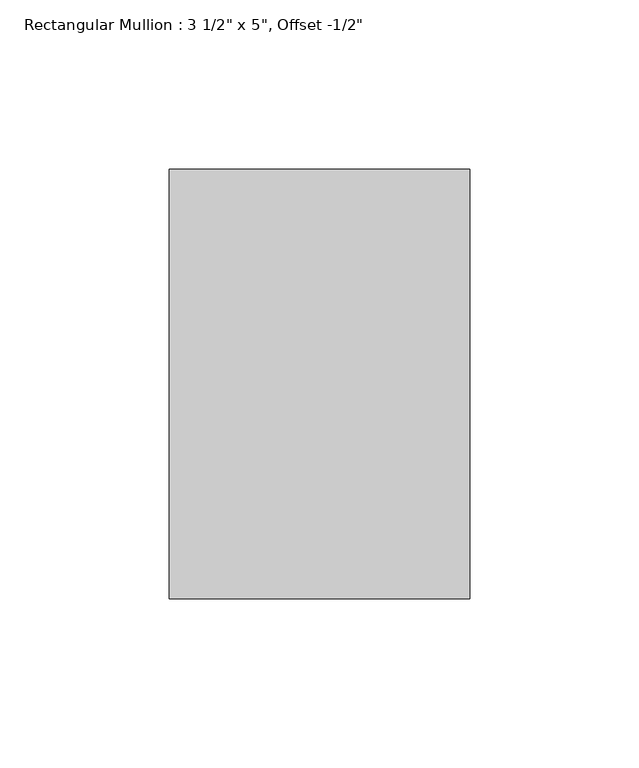
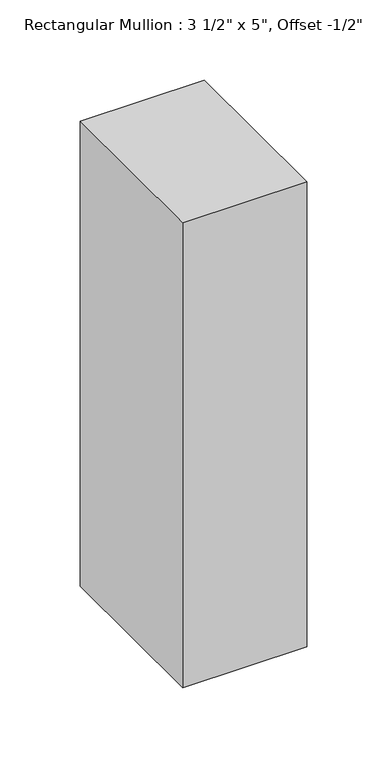
"""IFC4 building model written with IfcOpenShell, lengths in millimetres: member geometry."""

import ifcopenshell
import ifcopenshell.guid

model = None  # the IFC model being written
_history = None  # IfcOwnerHistory: only IFC2X3 demands one
_inside = {}  # id of a spatial element -> (the spatial element, [elements in it])
_under = {}  # id of a project, library or spatial element -> (it, [spatial elements below it])
_declared = {}  # id of a project -> (the project, [libraries it declares])
_typed = {}  # id of a type object -> (the type object, [elements of that type])
_made_of = {}  # id of a material, layer set ... -> (it, [elements and type objects made of it])


def new_model(schema):
    """Start an empty IFC model of exactly this schema.

    Asked for "IFC4X3", IfcOpenShell would pick the latest addendum, in which some entities
    have other attributes; the version numbers below select the first issue.
    IFC2X3 requires an IfcOwnerHistory on every rooted entity: one is made here for all.
    """
    global model, _history
    if schema == "IFC4X3":
        model = ifcopenshell.file(schema_version=(4, 3, 0, 0))
    else:
        model = ifcopenshell.file(schema=schema)
    _inside.clear()
    _under.clear()
    _declared.clear()
    _typed.clear()
    _made_of.clear()
    _history = None
    if model.schema == "IFC2X3":
        org = make("IfcOrganization", Name="unknown")
        user = make(
            "IfcPersonAndOrganization",
            ThePerson=make("IfcPerson", FamilyName="unknown"),
            TheOrganization=org,
        )
        app = make(
            "IfcApplication",
            ApplicationDeveloper=org,
            Version="unknown",
            ApplicationFullName="unknown",
            ApplicationIdentifier="unknown",
        )
        _history = make(
            "IfcOwnerHistory",
            OwningUser=user,
            OwningApplication=app,
            ChangeAction="ADDED",
            CreationDate=0,
        )
    return model


def make(cls, **values):
    """One entity of the class cls with the attributes given. An attribute that is None is left unset."""
    return model.create_entity(
        cls, **{name: value for name, value in values.items() if value is not None}
    )


def rooted(cls, **values):
    """An entity with a GlobalId (a new one), such as an element, a storey or a relation."""
    return make(cls, GlobalId=ifcopenshell.guid.new(), OwnerHistory=_history, **values)


def si_unit(unit_type, name, prefix=None):
    """IfcSIUnit, for example si_unit("LENGTHUNIT", "METRE", prefix="MILLI")."""
    return make("IfcSIUnit", UnitType=unit_type, Prefix=prefix, Name=name)


def assignment(units):
    """IfcUnitAssignment: the units of a project."""
    return None if units is None else make("IfcUnitAssignment", Units=units)


def point(xyz):
    """IfcCartesianPoint."""
    return None if xyz is None else make("IfcCartesianPoint", Coordinates=xyz)


def direction(xyz):
    """IfcDirection."""
    return None if xyz is None else make("IfcDirection", DirectionRatios=xyz)


def frame(location, z_axis=None, x_axis=None):
    """IfcAxis2Placement3D, a coordinate frame: its origin and axes. An axis left out is left unset."""
    return make(
        "IfcAxis2Placement3D",
        Location=point(location),
        Axis=direction(z_axis),
        RefDirection=direction(x_axis),
    )


def origin():
    """The frame at (0, 0, 0) with its axes left unset."""
    return frame((0.0, 0.0, 0.0))


def place(relative_to, where):
    """IfcLocalPlacement: puts the frame where relative to a parent placement (None: the world)."""
    return make(
        "IfcLocalPlacement", PlacementRelTo=relative_to, RelativePlacement=where
    )


def context(
    kind, dimensions, precision=None, world=None, true_north=None, identifier=None
):
    """IfcGeometricRepresentationContext, for example the 3D "Model" context."""
    return make(
        "IfcGeometricRepresentationContext",
        ContextIdentifier=identifier,
        ContextType=kind,
        CoordinateSpaceDimension=dimensions,
        Precision=precision,
        WorldCoordinateSystem=world,
        TrueNorth=true_north,
    )


def project(units=None, contexts=None):
    """IfcProject with its units and contexts."""
    return rooted(
        "IfcProject",
        Name="project",
        RepresentationContexts=contexts,
        UnitsInContext=assignment(units),
    )


def spatial(cls, under=None, at=None, **own):
    """A site, building, storey or space (cls), placed at a placement, below another one or the project."""
    s = rooted(cls, ObjectPlacement=at, **own)
    if under is not None:
        _under.setdefault(under.id(), (under, []))[1].append(s)
    return s


def polyline(points):
    """IfcPolyline through the points."""
    return make("IfcPolyline", Points=[point(p) for p in points])


def outline(outer, holes=None, kind="AREA"):
    """IfcArbitraryClosedProfileDef: a profile drawn as a closed curve; with holes, ...WithVoids."""
    if holes is None:
        return make("IfcArbitraryClosedProfileDef", ProfileType=kind, OuterCurve=outer)
    return make(
        "IfcArbitraryProfileDefWithVoids",
        ProfileType=kind,
        OuterCurve=outer,
        InnerCurves=holes,
    )


def extrude(swept, where, along, depth):
    """IfcExtrudedAreaSolid: the profile swept, set in the frame where, extruded along a direction by depth."""
    return make(
        "IfcExtrudedAreaSolid",
        SweptArea=swept,
        Position=where,
        ExtrudedDirection=direction(along),
        Depth=depth,
    )


def shape(context_of_items, identifier, shape_type, items):
    """IfcShapeRepresentation: the items that make up one representation, for example the "Body"."""
    return make(
        "IfcShapeRepresentation",
        ContextOfItems=context_of_items,
        RepresentationIdentifier=identifier,
        RepresentationType=shape_type,
        Items=items,
    )


def source(mapping_origin, context_of_items, identifier, shape_type, items):
    """IfcRepresentationMap: a shape defined once, which mapped items show again and again."""
    return make(
        "IfcRepresentationMap",
        MappingOrigin=mapping_origin,
        MappedRepresentation=shape(context_of_items, identifier, shape_type, items),
    )


def transform(
    local_origin,
    x_axis=None,
    y_axis=None,
    z_axis=None,
    scale=None,
    scale2=None,
    scale3=None,
    uniform=True,
):
    """IfcCartesianTransformationOperator3D, or its non-uniform kind. x_axis, y_axis, z_axis: its Axis1, 2, 3."""
    if uniform:
        return make(
            "IfcCartesianTransformationOperator3D",
            Axis1=direction(x_axis),
            Axis2=direction(y_axis),
            LocalOrigin=point(local_origin),
            Scale=scale,
            Axis3=direction(z_axis),
        )
    return make(
        "IfcCartesianTransformationOperator3DnonUniform",
        Axis1=direction(x_axis),
        Axis2=direction(y_axis),
        LocalOrigin=point(local_origin),
        Scale=scale,
        Axis3=direction(z_axis),
        Scale2=scale2,
        Scale3=scale3,
    )


def mapped(mapping_source, mapping_target):
    """IfcMappedItem: shows the shape of a source again, moved by a transform."""
    return make(
        "IfcMappedItem", MappingSource=mapping_source, MappingTarget=mapping_target
    )


def made_of(thing, what):
    """Note that an element or type object is made of a material, layer set ...; save() writes the relation."""
    if what is not None:
        _made_of.setdefault(what.id(), (what, []))[1].append(thing)
    return thing


def element(
    cls,
    number,
    at=None,
    inside=None,
    cuts=None,
    type_object=None,
    material=None,
    context=None,
    identifier="Body",
    shape_type=None,
    held_by="IfcProductDefinitionShape",
    body=None,
    shapes=None,
    **own,
):
    """One element of the class cls, such as IfcWall. Its Tag is "e" and its number.

    at: its placement. inside: the storey or other place that contains it. cuts: it is an
    opening in that element (IfcRelVoidsElement). A single representation is given by context,
    identifier, shape_type and body (its items); several are given by shapes. held_by: the class
    of the entity that holds the representations. save() writes the other relations.
    """
    e = rooted(cls, Tag="e%d" % number, ObjectPlacement=at, **own)
    if body is not None:
        shapes = [shape(context, identifier, shape_type, body)]
    if shapes is not None:
        e.Representation = make(held_by, Representations=shapes)
    if inside is not None:
        _inside.setdefault(inside.id(), (inside, []))[1].append(e)
    if cuts is not None:
        rooted(
            "IfcRelVoidsElement", RelatingBuildingElement=cuts, RelatedOpeningElement=e
        )
    if type_object is not None:
        _typed.setdefault(type_object.id(), (type_object, []))[1].append(e)
    return made_of(e, material)


def aggregate(whole, parts):
    """IfcRelAggregates: a whole, such as a stair, and the parts it consists of."""
    return rooted("IfcRelAggregates", RelatingObject=whole, RelatedObjects=parts)


def save(model, path):
    """Write the relations noted so far, then the file.

    IfcRelAggregates (storeys below a building ...), IfcRelContainedInSpatialStructure (elements
    in a storey), IfcRelDefinesByType, IfcRelAssociatesMaterial and IfcRelDeclares: one each for
    every whole, place, type object, material and project.
    """
    for whole, parts in _under.values():
        aggregate(whole, parts)
    for where, things in _inside.values():
        rooted(
            "IfcRelContainedInSpatialStructure",
            RelatedElements=things,
            RelatingStructure=where,
        )
    for kind, things in _typed.values():
        rooted("IfcRelDefinesByType", RelatedObjects=things, RelatingType=kind)
    for what, things in _made_of.values():
        rooted("IfcRelAssociatesMaterial", RelatedObjects=things, RelatingMaterial=what)
    for by, libraries in _declared.values():
        rooted("IfcRelDeclares", RelatingContext=by, RelatedDefinitions=libraries)
    model.write(path)


def member_c51ad896(model_context):
    return source(origin(), model_context, "Body", "SweptSolid", [
        extrude(outline(polyline([(44.45, 76.2), (44.45, -50.8), (-44.45, -50.8), (-44.45, 76.2), (44.45, 76.2)])), frame((0.0, 0.0, -352.425), z_axis=(0.0, 0.0, 1.0), x_axis=(1.0, 0.0, 0.0)), (0.0, 0.0, 1.0), 352.425),
    ])


if __name__ == "__main__":
    model = new_model("IFC4")
    model_context = context("Model", 3, world=origin())
    ifc_project = project(units=[si_unit("LENGTHUNIT", "METRE", prefix="MILLI")], contexts=[model_context])
    site = spatial("IfcSite", under=ifc_project)
    building = spatial("IfcBuilding", under=site)
    placement = place(None, origin())
    member_shape = member_c51ad896(model_context)
    element("IfcMember", 1, ObjectType="Rectangular Mullion : 3 1/2\" x 5\", Offset -1/2\"", at=placement, inside=building, context=model_context, shape_type="MappedRepresentation", body=[
        mapped(member_shape, transform((0.0, 0.0, 0.0), x_axis=(1.0, 0.0, 0.0), y_axis=(0.0, 1.0, 0.0), z_axis=(0.0, 0.0, 1.0))),
    ])
    save(model, "model.ifc")
